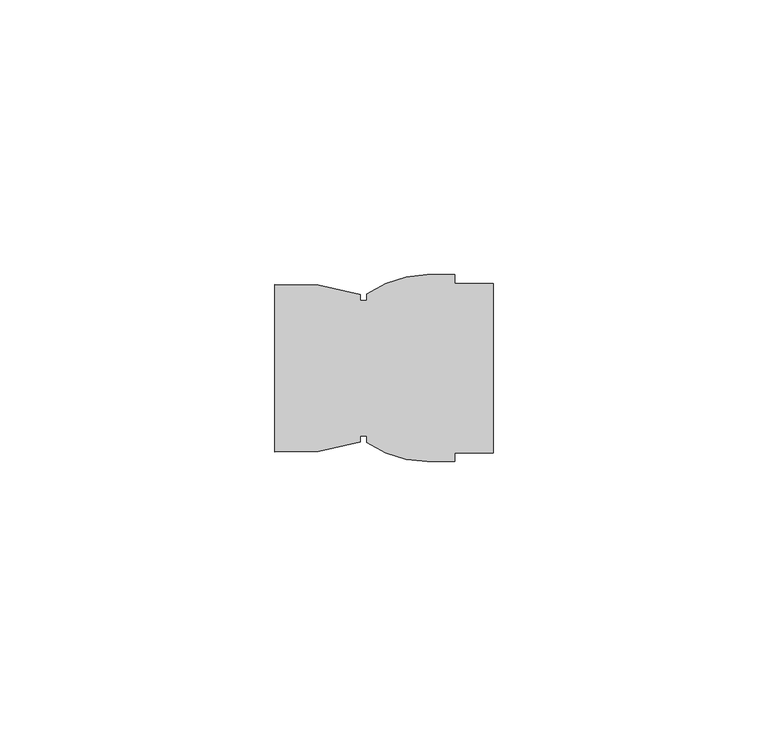
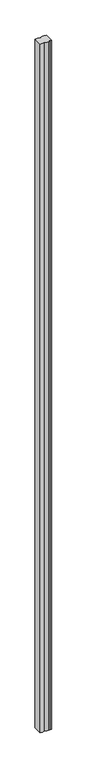
"""IFC4 building model written with IfcOpenShell, lengths in millimetres: member geometry."""

from ifc_helpers import new_model, si_unit, point, frame, frame_2d, origin, place, context, project, spatial, polyline, circle_curve, trimmed, segment, composite_curve, outline, extrude, source, transform, mapped, element, save


def member_a4c48620(model_context):
    return source(origin(), model_context, "Body", "SweptSolid", [
        extrude(outline(composite_curve([segment(polyline([(-22.919617, 6.357), (-22.919617, 7.507), (-24.1221188, 7.507), (-24.1221188, 6.4514885)]), True, "CONTINUOUS"), segment(trimmed(circle_curve(frame_2d((-36.1221179, 42.5070015)), 38.0), [point((-24.1221188, 6.4514885))], [point((-39.6397368, 4.6701629))], False, "CARTESIAN"), True, "CONTINUOUS"), segment(polyline([(-39.6397368, 4.6701629), (-39.6397368, 35.043835)]), True, "CONTINUOUS"), segment(trimmed(circle_curve(frame_2d((-36.1221179, -2.7930036)), 38.0), [point((-39.6397368, 35.043835))], [point((-24.1221189, 33.2625095))], False, "CARTESIAN"), True, "CONTINUOUS"), segment(polyline([(-24.1221189, 33.2625095), (-24.1221189, 32.207), (-22.919617, 32.207), (-22.919617, 33.357)]), True, "CONTINUOUS"), segment(trimmed(circle_curve(frame_2d((-11.613544, 16.8593422)), 20.0), [point((-22.919617, 33.357))], [point((-11.919617, 36.857))], False, "CARTESIAN"), True, "CONTINUOUS"), segment(polyline([(-11.919617, 36.857), (-6.919617, 36.857), (-6.919617, 35.307), (0.0, 35.307), (0.0, 4.407), (-6.919617, 4.407), (-6.919617, 2.857), (-11.919617, 2.857)]), True, "CONTINUOUS"), segment(trimmed(circle_curve(frame_2d((-11.613544, 22.8546578)), 20.0), [point((-11.919617, 2.857))], [point((-22.919617, 6.357))], False, "CARTESIAN"), True, "CONTINUOUS")], self_intersect=False)), frame((0.0, 0.0, -2500.0), z_axis=(0.0, 0.0, 1.0), x_axis=(1.0, 0.0, 0.0)), (0.0, 0.0, 1.0), 2500.0),
    ])


if __name__ == "__main__":
    model = new_model("IFC4")
    model_context = context("Model", 3, world=origin())
    ifc_project = project(units=[si_unit("LENGTHUNIT", "METRE", prefix="MILLI")], contexts=[model_context])
    site = spatial("IfcSite", under=ifc_project)
    building = spatial("IfcBuilding", under=site)
    placement = place(None, origin())
    member_shape = member_a4c48620(model_context)
    element("IfcMember", 1, at=placement, inside=building, context=model_context, shape_type="MappedRepresentation", body=[
        mapped(member_shape, transform((0.0, 0.0, 0.0), x_axis=(1.0, 0.0, 0.0), y_axis=(0.0, 1.0, 0.0), z_axis=(0.0, 0.0, 1.0))),
    ])
    save(model, "model.ifc")
